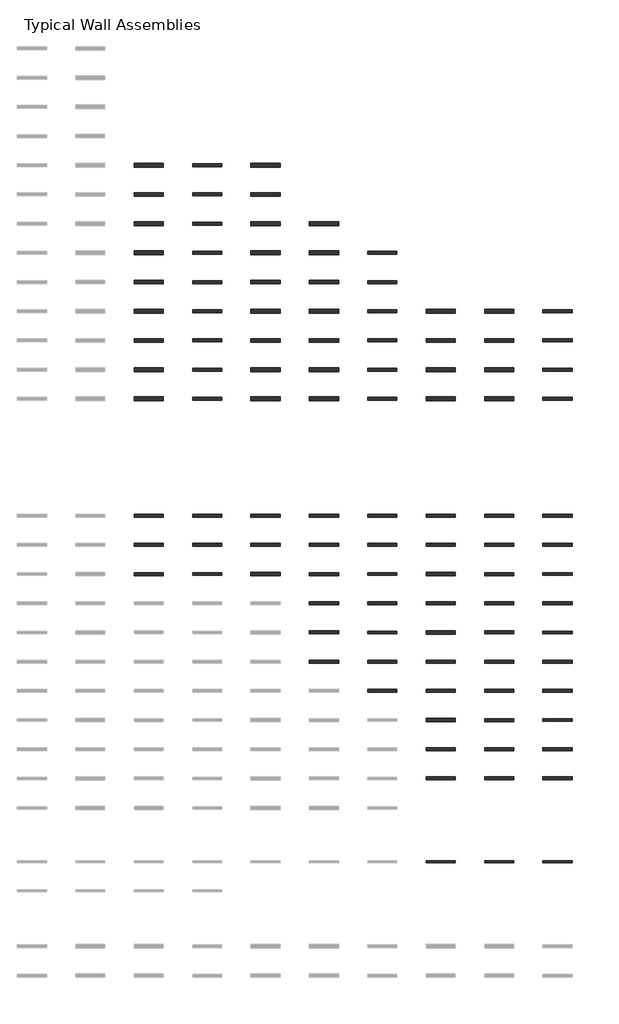
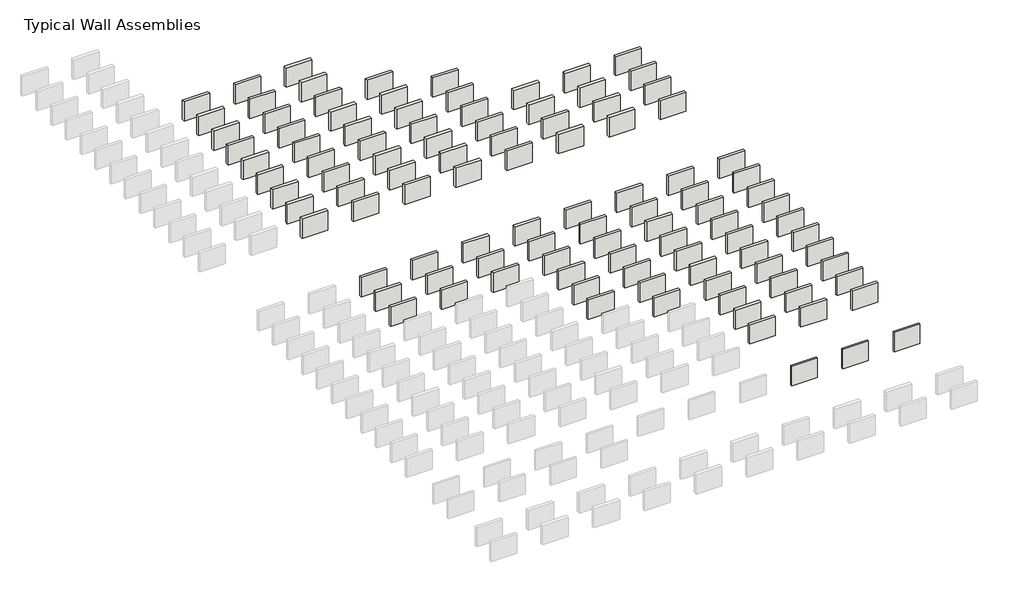
# One storey, part 4 of 8: 107 walls.
"""IFC4 building model written with IfcOpenShell, lengths in millimetres."""

import ifcopenshell
import ifcopenshell.guid

model = None  # the IFC model being written
_history = None  # IfcOwnerHistory: only IFC2X3 demands one
_inside = {}  # id of a spatial element -> (the spatial element, [elements in it])
_under = {}  # id of a project, library or spatial element -> (it, [spatial elements below it])
_declared = {}  # id of a project -> (the project, [libraries it declares])
_typed = {}  # id of a type object -> (the type object, [elements of that type])
_made_of = {}  # id of a material, layer set ... -> (it, [elements and type objects made of it])


def new_model(schema):
    """Start an empty IFC model of exactly this schema.

    Asked for "IFC4X3", IfcOpenShell would pick the latest addendum, in which some entities
    have other attributes; the version numbers below select the first issue.
    IFC2X3 requires an IfcOwnerHistory on every rooted entity: one is made here for all.
    """
    global model, _history
    if schema == "IFC4X3":
        model = ifcopenshell.file(schema_version=(4, 3, 0, 0))
    else:
        model = ifcopenshell.file(schema=schema)
    _inside.clear()
    _under.clear()
    _declared.clear()
    _typed.clear()
    _made_of.clear()
    _history = None
    if model.schema == "IFC2X3":
        org = make("IfcOrganization", Name="unknown")
        user = make(
            "IfcPersonAndOrganization",
            ThePerson=make("IfcPerson", FamilyName="unknown"),
            TheOrganization=org,
        )
        app = make(
            "IfcApplication",
            ApplicationDeveloper=org,
            Version="unknown",
            ApplicationFullName="unknown",
            ApplicationIdentifier="unknown",
        )
        _history = make(
            "IfcOwnerHistory",
            OwningUser=user,
            OwningApplication=app,
            ChangeAction="ADDED",
            CreationDate=0,
        )
    return model


def make(cls, **values):
    """One entity of the class cls with the attributes given. An attribute that is None is left unset."""
    return model.create_entity(
        cls, **{name: value for name, value in values.items() if value is not None}
    )


def rooted(cls, **values):
    """An entity with a GlobalId (a new one), such as an element, a storey or a relation."""
    return make(cls, GlobalId=ifcopenshell.guid.new(), OwnerHistory=_history, **values)


def si_unit(unit_type, name, prefix=None):
    """IfcSIUnit, for example si_unit("LENGTHUNIT", "METRE", prefix="MILLI")."""
    return make("IfcSIUnit", UnitType=unit_type, Prefix=prefix, Name=name)


def assignment(units):
    """IfcUnitAssignment: the units of a project."""
    return None if units is None else make("IfcUnitAssignment", Units=units)


def point(xyz):
    """IfcCartesianPoint."""
    return None if xyz is None else make("IfcCartesianPoint", Coordinates=xyz)


def direction(xyz):
    """IfcDirection."""
    return None if xyz is None else make("IfcDirection", DirectionRatios=xyz)


def frame(location, z_axis=None, x_axis=None):
    """IfcAxis2Placement3D, a coordinate frame: its origin and axes. An axis left out is left unset."""
    return make(
        "IfcAxis2Placement3D",
        Location=point(location),
        Axis=direction(z_axis),
        RefDirection=direction(x_axis),
    )


def origin():
    """The frame at (0, 0, 0) with its axes left unset."""
    return frame((0.0, 0.0, 0.0))


def place(relative_to, where):
    """IfcLocalPlacement: puts the frame where relative to a parent placement (None: the world)."""
    return make(
        "IfcLocalPlacement", PlacementRelTo=relative_to, RelativePlacement=where
    )


def context(
    kind, dimensions, precision=None, world=None, true_north=None, identifier=None
):
    """IfcGeometricRepresentationContext, for example the 3D "Model" context."""
    return make(
        "IfcGeometricRepresentationContext",
        ContextIdentifier=identifier,
        ContextType=kind,
        CoordinateSpaceDimension=dimensions,
        Precision=precision,
        WorldCoordinateSystem=world,
        TrueNorth=true_north,
    )


def project(units=None, contexts=None):
    """IfcProject with its units and contexts."""
    return rooted(
        "IfcProject",
        Name="project",
        RepresentationContexts=contexts,
        UnitsInContext=assignment(units),
    )


def spatial(cls, under=None, at=None, **own):
    """A site, building, storey or space (cls), placed at a placement, below another one or the project."""
    s = rooted(cls, ObjectPlacement=at, **own)
    if under is not None:
        _under.setdefault(under.id(), (under, []))[1].append(s)
    return s


def polyline(points):
    """IfcPolyline through the points."""
    return make("IfcPolyline", Points=[point(p) for p in points])


def outline(outer, holes=None, kind="AREA"):
    """IfcArbitraryClosedProfileDef: a profile drawn as a closed curve; with holes, ...WithVoids."""
    if holes is None:
        return make("IfcArbitraryClosedProfileDef", ProfileType=kind, OuterCurve=outer)
    return make(
        "IfcArbitraryProfileDefWithVoids",
        ProfileType=kind,
        OuterCurve=outer,
        InnerCurves=holes,
    )


def extrude(swept, where, along, depth):
    """IfcExtrudedAreaSolid: the profile swept, set in the frame where, extruded along a direction by depth."""
    return make(
        "IfcExtrudedAreaSolid",
        SweptArea=swept,
        Position=where,
        ExtrudedDirection=direction(along),
        Depth=depth,
    )


def shape(context_of_items, identifier, shape_type, items):
    """IfcShapeRepresentation: the items that make up one representation, for example the "Body"."""
    return make(
        "IfcShapeRepresentation",
        ContextOfItems=context_of_items,
        RepresentationIdentifier=identifier,
        RepresentationType=shape_type,
        Items=items,
    )


def made_of(thing, what):
    """Note that an element or type object is made of a material, layer set ...; save() writes the relation."""
    if what is not None:
        _made_of.setdefault(what.id(), (what, []))[1].append(thing)
    return thing


def element(
    cls,
    number,
    at=None,
    inside=None,
    cuts=None,
    type_object=None,
    material=None,
    context=None,
    identifier="Body",
    shape_type=None,
    held_by="IfcProductDefinitionShape",
    body=None,
    shapes=None,
    **own,
):
    """One element of the class cls, such as IfcWall. Its Tag is "e" and its number.

    at: its placement. inside: the storey or other place that contains it. cuts: it is an
    opening in that element (IfcRelVoidsElement). A single representation is given by context,
    identifier, shape_type and body (its items); several are given by shapes. held_by: the class
    of the entity that holds the representations. save() writes the other relations.
    """
    e = rooted(cls, Tag="e%d" % number, ObjectPlacement=at, **own)
    if body is not None:
        shapes = [shape(context, identifier, shape_type, body)]
    if shapes is not None:
        e.Representation = make(held_by, Representations=shapes)
    if inside is not None:
        _inside.setdefault(inside.id(), (inside, []))[1].append(e)
    if cuts is not None:
        rooted(
            "IfcRelVoidsElement", RelatingBuildingElement=cuts, RelatedOpeningElement=e
        )
    if type_object is not None:
        _typed.setdefault(type_object.id(), (type_object, []))[1].append(e)
    return made_of(e, material)


def aggregate(whole, parts):
    """IfcRelAggregates: a whole, such as a stair, and the parts it consists of."""
    return rooted("IfcRelAggregates", RelatingObject=whole, RelatedObjects=parts)


def save(model, path):
    """Write the relations noted so far, then the file.

    IfcRelAggregates (storeys below a building ...), IfcRelContainedInSpatialStructure (elements
    in a storey), IfcRelDefinesByType, IfcRelAssociatesMaterial and IfcRelDeclares: one each for
    every whole, place, type object, material and project.
    """
    for whole, parts in _under.values():
        aggregate(whole, parts)
    for where, things in _inside.values():
        rooted(
            "IfcRelContainedInSpatialStructure",
            RelatedElements=things,
            RelatingStructure=where,
        )
    for kind, things in _typed.values():
        rooted("IfcRelDefinesByType", RelatedObjects=things, RelatingType=kind)
    for what, things in _made_of.values():
        rooted("IfcRelAssociatesMaterial", RelatedObjects=things, RelatingMaterial=what)
    for by, libraries in _declared.values():
        rooted("IfcRelDeclares", RelatingContext=by, RelatedDefinitions=libraries)
    model.write(path)


model = new_model("IFC4")

# Units and contexts
model_context = context("Model", 3, world=origin())
ifc_project = project(units=[si_unit("LENGTHUNIT", "METRE", prefix="MILLI")], contexts=[model_context])

# Site, building, storey
site = spatial("IfcSite", under=ifc_project)
building = spatial("IfcBuilding", under=site)
storey = spatial("IfcBuildingStorey", under=building, Name="Typical Wall Assemblies", Elevation=6096.0)

# Walls
placement = place(None, origin())
element("IfcWall", 1, at=placement, inside=storey, context=model_context, shape_type="SweptSolid", body=[
    extrude(outline(polyline([(3356.874931, -114807.8842556), (308.874931, -114807.8842556), (308.874931, -114418.9467494), (3356.874931, -114418.9467494), (3356.874931, -114807.8842556)])), frame((0.0, 0.0, 6096.0), z_axis=(0.0, 0.0, 1.0), x_axis=(1.0, 0.0, 0.0)), (0.0, 0.0, 1.0), 2438.4),
])
element("IfcWall", 2, at=placement, inside=storey, context=model_context, shape_type="SweptSolid", body=[
    extrude(outline(polyline([(9452.874931, -114768.9905038), (6404.874931, -114768.9905038), (6404.874931, -114457.8405013), (9452.874931, -114457.8405013), (9452.874931, -114768.9905038)])), frame((0.0, 0.0, 6096.0), z_axis=(0.0, 0.0, 1.0), x_axis=(1.0, 0.0, 0.0)), (0.0, 0.0, 1.0), 2438.4),
])
element("IfcWall", 3, at=placement, inside=storey, context=model_context, shape_type="SweptSolid", body=[
    extrude(outline(polyline([(3356.874931, -117855.8842556), (308.874931, -117855.8842556), (308.874931, -117466.9467494), (3356.874931, -117466.9467494), (3356.874931, -117855.8842556)])), frame((0.0, 0.0, 6096.0), z_axis=(0.0, 0.0, 1.0), x_axis=(1.0, 0.0, 0.0)), (0.0, 0.0, 1.0), 2438.4),
])
element("IfcWall", 4, at=placement, inside=storey, context=model_context, shape_type="SweptSolid", body=[
    extrude(outline(polyline([(9452.874931, -117816.9905038), (6404.874931, -117816.9905038), (6404.874931, -117505.8405013), (9452.874931, -117505.8405013), (9452.874931, -117816.9905038)])), frame((0.0, 0.0, 6096.0), z_axis=(0.0, 0.0, 1.0), x_axis=(1.0, 0.0, 0.0)), (0.0, 0.0, 1.0), 2438.4),
])
element("IfcWall", 5, at=placement, inside=storey, context=model_context, shape_type="SweptSolid", body=[
    extrude(outline(polyline([(3356.874931, -120903.8842556), (308.874931, -120903.8842556), (308.874931, -120514.9467494), (3356.874931, -120514.9467494), (3356.874931, -120903.8842556)])), frame((0.0, 0.0, 6096.0), z_axis=(0.0, 0.0, 1.0), x_axis=(1.0, 0.0, 0.0)), (0.0, 0.0, 1.0), 2438.4),
])
element("IfcWall", 6, at=placement, inside=storey, context=model_context, shape_type="SweptSolid", body=[
    extrude(outline(polyline([(9452.874931, -120864.9905038), (6404.874931, -120864.9905038), (6404.874931, -120553.8405013), (9452.874931, -120553.8405013), (9452.874931, -120864.9905038)])), frame((0.0, 0.0, 6096.0), z_axis=(0.0, 0.0, 1.0), x_axis=(1.0, 0.0, 0.0)), (0.0, 0.0, 1.0), 2438.4),
])
element("IfcWall", 7, at=placement, inside=storey, context=model_context, shape_type="SweptSolid", body=[
    extrude(outline(polyline([(15548.874931, -120908.6467556), (12500.874931, -120908.6467556), (12500.874931, -120510.1842494), (15548.874931, -120510.1842494), (15548.874931, -120908.6467556)])), frame((0.0, 0.0, 6096.0), z_axis=(0.0, 0.0, 1.0), x_axis=(1.0, 0.0, 0.0)), (0.0, 0.0, 1.0), 2438.4),
])
element("IfcWall", 8, at=placement, inside=storey, context=model_context, shape_type="SweptSolid", body=[
    extrude(outline(polyline([(21644.874931, -120903.8842556), (18596.874931, -120903.8842556), (18596.874931, -120514.9467494), (21644.874931, -120514.9467494), (21644.874931, -120903.8842556)])), frame((0.0, 0.0, 6096.0), z_axis=(0.0, 0.0, 1.0), x_axis=(1.0, 0.0, 0.0)), (0.0, 0.0, 1.0), 2438.4),
])
element("IfcWall", 9, at=placement, inside=storey, context=model_context, shape_type="SweptSolid", body=[
    extrude(outline(polyline([(3356.874931, -123951.8842556), (308.874931, -123951.8842556), (308.874931, -123562.9467494), (3356.874931, -123562.9467494), (3356.874931, -123951.8842556)])), frame((0.0, 0.0, 6096.0), z_axis=(0.0, 0.0, 1.0), x_axis=(1.0, 0.0, 0.0)), (0.0, 0.0, 1.0), 2438.4),
])
element("IfcWall", 10, at=placement, inside=storey, context=model_context, shape_type="SweptSolid", body=[
    extrude(outline(polyline([(9452.874931, -123912.9905038), (6404.874931, -123912.9905038), (6404.874931, -123601.8405013), (9452.874931, -123601.8405013), (9452.874931, -123912.9905038)])), frame((0.0, 0.0, 6096.0), z_axis=(0.0, 0.0, 1.0), x_axis=(1.0, 0.0, 0.0)), (0.0, 0.0, 1.0), 2438.4),
])
element("IfcWall", 11, at=placement, inside=storey, context=model_context, shape_type="SweptSolid", body=[
    extrude(outline(polyline([(27740.874931, -123912.9905038), (24692.874931, -123912.9905038), (24692.874931, -123601.8405013), (27740.874931, -123601.8405013), (27740.874931, -123912.9905038)])), frame((0.0, 0.0, 6096.0), z_axis=(0.0, 0.0, 1.0), x_axis=(1.0, 0.0, 0.0)), (0.0, 0.0, 1.0), 2438.4),
])
element("IfcWall", 12, at=placement, inside=storey, context=model_context, shape_type="SweptSolid", body=[
    extrude(outline(polyline([(9452.874931, -126960.9905038), (6404.874931, -126960.9905038), (6404.874931, -126649.8405013), (9452.874931, -126649.8405013), (9452.874931, -126960.9905038)])), frame((0.0, 0.0, 6096.0), z_axis=(0.0, 0.0, 1.0), x_axis=(1.0, 0.0, 0.0)), (0.0, 0.0, 1.0), 2438.4),
])
element("IfcWall", 13, at=placement, inside=storey, context=model_context, shape_type="SweptSolid", body=[
    extrude(outline(polyline([(15548.874931, -127004.6467556), (12500.874931, -127004.6467556), (12500.874931, -126606.1842494), (15548.874931, -126606.1842494), (15548.874931, -127004.6467556)])), frame((0.0, 0.0, 6096.0), z_axis=(0.0, 0.0, 1.0), x_axis=(1.0, 0.0, 0.0)), (0.0, 0.0, 1.0), 2438.4),
])
element("IfcWall", 14, at=placement, inside=storey, context=model_context, shape_type="SweptSolid", body=[
    extrude(outline(polyline([(21644.874931, -126999.8842556), (18596.874931, -126999.8842556), (18596.874931, -126610.9467494), (21644.874931, -126610.9467494), (21644.874931, -126999.8842556)])), frame((0.0, 0.0, 6096.0), z_axis=(0.0, 0.0, 1.0), x_axis=(1.0, 0.0, 0.0)), (0.0, 0.0, 1.0), 2438.4),
])
element("IfcWall", 15, at=placement, inside=storey, context=model_context, shape_type="SweptSolid", body=[
    extrude(outline(polyline([(27740.874931, -126960.9905038), (24692.874931, -126960.9905038), (24692.874931, -126649.8405013), (27740.874931, -126649.8405013), (27740.874931, -126960.9905038)])), frame((0.0, 0.0, 6096.0), z_axis=(0.0, 0.0, 1.0), x_axis=(1.0, 0.0, 0.0)), (0.0, 0.0, 1.0), 2438.4),
])
element("IfcWall", 16, at=placement, inside=storey, context=model_context, shape_type="SweptSolid", body=[
    extrude(outline(polyline([(9452.874931, -130008.9905038), (6404.874931, -130008.9905038), (6404.874931, -129697.8405013), (9452.874931, -129697.8405013), (9452.874931, -130008.9905038)])), frame((0.0, 0.0, 6096.0), z_axis=(0.0, 0.0, 1.0), x_axis=(1.0, 0.0, 0.0)), (0.0, 0.0, 1.0), 2438.4),
])
element("IfcWall", 17, at=placement, inside=storey, context=model_context, shape_type="SweptSolid", body=[
    extrude(outline(polyline([(15548.874931, -130052.6467556), (12500.874931, -130052.6467556), (12500.874931, -129654.1842494), (15548.874931, -129654.1842494), (15548.874931, -130052.6467556)])), frame((0.0, 0.0, 6096.0), z_axis=(0.0, 0.0, 1.0), x_axis=(1.0, 0.0, 0.0)), (0.0, 0.0, 1.0), 2438.4),
])
element("IfcWall", 18, at=placement, inside=storey, context=model_context, shape_type="SweptSolid", body=[
    extrude(outline(polyline([(21644.874931, -130047.8842556), (18596.874931, -130047.8842556), (18596.874931, -129658.9467494), (21644.874931, -129658.9467494), (21644.874931, -130047.8842556)])), frame((0.0, 0.0, 6096.0), z_axis=(0.0, 0.0, 1.0), x_axis=(1.0, 0.0, 0.0)), (0.0, 0.0, 1.0), 2438.4),
])
element("IfcWall", 19, at=placement, inside=storey, context=model_context, shape_type="SweptSolid", body=[
    extrude(outline(polyline([(27740.874931, -130008.9905038), (24692.874931, -130008.9905038), (24692.874931, -129697.8405013), (27740.874931, -129697.8405013), (27740.874931, -130008.9905038)])), frame((0.0, 0.0, 6096.0), z_axis=(0.0, 0.0, 1.0), x_axis=(1.0, 0.0, 0.0)), (0.0, 0.0, 1.0), 2438.4),
])
element("IfcWall", 20, at=placement, inside=storey, context=model_context, shape_type="SweptSolid", body=[
    extrude(outline(polyline([(46028.874931, -130008.9905038), (42980.874931, -130008.9905038), (42980.874931, -129697.8405013), (46028.874931, -129697.8405013), (46028.874931, -130008.9905038)])), frame((0.0, 0.0, 6096.0), z_axis=(0.0, 0.0, 1.0), x_axis=(1.0, 0.0, 0.0)), (0.0, 0.0, 1.0), 2438.4),
])
element("IfcWall", 21, at=placement, inside=storey, context=model_context, shape_type="SweptSolid", body=[
    extrude(outline(polyline([(9452.874931, -133056.9905038), (6404.874931, -133056.9905038), (6404.874931, -132745.8405013), (9452.874931, -132745.8405013), (9452.874931, -133056.9905038)])), frame((0.0, 0.0, 6096.0), z_axis=(0.0, 0.0, 1.0), x_axis=(1.0, 0.0, 0.0)), (0.0, 0.0, 1.0), 2438.4),
])
element("IfcWall", 22, at=placement, inside=storey, context=model_context, shape_type="SweptSolid", body=[
    extrude(outline(polyline([(15548.874931, -133100.6467556), (12500.874931, -133100.6467556), (12500.874931, -132702.1842494), (15548.874931, -132702.1842494), (15548.874931, -133100.6467556)])), frame((0.0, 0.0, 6096.0), z_axis=(0.0, 0.0, 1.0), x_axis=(1.0, 0.0, 0.0)), (0.0, 0.0, 1.0), 2438.4),
])
element("IfcWall", 23, at=placement, inside=storey, context=model_context, shape_type="SweptSolid", body=[
    extrude(outline(polyline([(21644.874931, -133095.8842556), (18596.874931, -133095.8842556), (18596.874931, -132706.9467494), (21644.874931, -132706.9467494), (21644.874931, -133095.8842556)])), frame((0.0, 0.0, 6096.0), z_axis=(0.0, 0.0, 1.0), x_axis=(1.0, 0.0, 0.0)), (0.0, 0.0, 1.0), 2438.4),
])
element("IfcWall", 24, at=placement, inside=storey, context=model_context, shape_type="SweptSolid", body=[
    extrude(outline(polyline([(27740.874931, -133056.9905038), (24692.874931, -133056.9905038), (24692.874931, -132745.8405013), (27740.874931, -132745.8405013), (27740.874931, -133056.9905038)])), frame((0.0, 0.0, 6096.0), z_axis=(0.0, 0.0, 1.0), x_axis=(1.0, 0.0, 0.0)), (0.0, 0.0, 1.0), 2438.4),
])
element("IfcWall", 25, at=placement, inside=storey, context=model_context, shape_type="SweptSolid", body=[
    extrude(outline(polyline([(46028.874931, -133056.9905038), (42980.874931, -133056.9905038), (42980.874931, -132745.8405013), (46028.874931, -132745.8405013), (46028.874931, -133056.9905038)])), frame((0.0, 0.0, 6096.0), z_axis=(0.0, 0.0, 1.0), x_axis=(1.0, 0.0, 0.0)), (0.0, 0.0, 1.0), 2438.4),
])
element("IfcWall", 26, at=placement, inside=storey, context=model_context, shape_type="SweptSolid", body=[
    extrude(outline(polyline([(9452.874931, -136104.9905038), (6404.874931, -136104.9905038), (6404.874931, -135793.8405013), (9452.874931, -135793.8405013), (9452.874931, -136104.9905038)])), frame((0.0, 0.0, 6096.0), z_axis=(0.0, 0.0, 1.0), x_axis=(1.0, 0.0, 0.0)), (0.0, 0.0, 1.0), 2438.4),
])
element("IfcWall", 27, at=placement, inside=storey, context=model_context, shape_type="SweptSolid", body=[
    extrude(outline(polyline([(27740.874931, -136104.9905038), (24692.874931, -136104.9905038), (24692.874931, -135793.8405013), (27740.874931, -135793.8405013), (27740.874931, -136104.9905038)])), frame((0.0, 0.0, 6096.0), z_axis=(0.0, 0.0, 1.0), x_axis=(1.0, 0.0, 0.0)), (0.0, 0.0, 1.0), 2438.4),
])
element("IfcWall", 28, at=placement, inside=storey, context=model_context, shape_type="SweptSolid", body=[
    extrude(outline(polyline([(33836.874931, -136148.6467556), (30788.874931, -136148.6467556), (30788.874931, -135750.1842494), (33836.874931, -135750.1842494), (33836.874931, -136148.6467556)])), frame((0.0, 0.0, 6096.0), z_axis=(0.0, 0.0, 1.0), x_axis=(1.0, 0.0, 0.0)), (0.0, 0.0, 1.0), 2438.4),
])
element("IfcWall", 29, at=placement, inside=storey, context=model_context, shape_type="SweptSolid", body=[
    extrude(outline(polyline([(39932.874931, -136143.8842556), (36884.874931, -136143.8842556), (36884.874931, -135754.9467494), (39932.874931, -135754.9467494), (39932.874931, -136143.8842556)])), frame((0.0, 0.0, 6096.0), z_axis=(0.0, 0.0, 1.0), x_axis=(1.0, 0.0, 0.0)), (0.0, 0.0, 1.0), 2438.4),
])
element("IfcWall", 30, at=placement, inside=storey, context=model_context, shape_type="SweptSolid", body=[
    extrude(outline(polyline([(46028.874931, -136104.9905038), (42980.874931, -136104.9905038), (42980.874931, -135793.8405013), (46028.874931, -135793.8405013), (46028.874931, -136104.9905038)])), frame((0.0, 0.0, 6096.0), z_axis=(0.0, 0.0, 1.0), x_axis=(1.0, 0.0, 0.0)), (0.0, 0.0, 1.0), 2438.4),
])
element("IfcWall", 31, at=placement, inside=storey, context=model_context, shape_type="SweptSolid", body=[
    extrude(outline(polyline([(3356.874931, -139191.8842556), (308.874931, -139191.8842556), (308.874931, -138802.9467494), (3356.874931, -138802.9467494), (3356.874931, -139191.8842556)])), frame((0.0, 0.0, 6096.0), z_axis=(0.0, 0.0, 1.0), x_axis=(1.0, 0.0, 0.0)), (0.0, 0.0, 1.0), 2438.4),
])
element("IfcWall", 32, at=placement, inside=storey, context=model_context, shape_type="SweptSolid", body=[
    extrude(outline(polyline([(9452.874931, -139152.9905038), (6404.874931, -139152.9905038), (6404.874931, -138841.8405013), (9452.874931, -138841.8405013), (9452.874931, -139152.9905038)])), frame((0.0, 0.0, 6096.0), z_axis=(0.0, 0.0, 1.0), x_axis=(1.0, 0.0, 0.0)), (0.0, 0.0, 1.0), 2438.4),
])
element("IfcWall", 33, at=placement, inside=storey, context=model_context, shape_type="SweptSolid", body=[
    extrude(outline(polyline([(27740.874931, -139152.9905038), (24692.874931, -139152.9905038), (24692.874931, -138841.8405013), (27740.874931, -138841.8405013), (27740.874931, -139152.9905038)])), frame((0.0, 0.0, 6096.0), z_axis=(0.0, 0.0, 1.0), x_axis=(1.0, 0.0, 0.0)), (0.0, 0.0, 1.0), 2438.4),
])
element("IfcWall", 34, at=placement, inside=storey, context=model_context, shape_type="SweptSolid", body=[
    extrude(outline(polyline([(33836.874931, -139196.6467556), (30788.874931, -139196.6467556), (30788.874931, -138798.1842494), (33836.874931, -138798.1842494), (33836.874931, -139196.6467556)])), frame((0.0, 0.0, 6096.0), z_axis=(0.0, 0.0, 1.0), x_axis=(1.0, 0.0, 0.0)), (0.0, 0.0, 1.0), 2438.4),
])
element("IfcWall", 35, at=placement, inside=storey, context=model_context, shape_type="SweptSolid", body=[
    extrude(outline(polyline([(39932.874931, -139191.8842556), (36884.874931, -139191.8842556), (36884.874931, -138802.9467494), (39932.874931, -138802.9467494), (39932.874931, -139191.8842556)])), frame((0.0, 0.0, 6096.0), z_axis=(0.0, 0.0, 1.0), x_axis=(1.0, 0.0, 0.0)), (0.0, 0.0, 1.0), 2438.4),
])
element("IfcWall", 36, at=placement, inside=storey, context=model_context, shape_type="SweptSolid", body=[
    extrude(outline(polyline([(46028.874931, -139152.9905038), (42980.874931, -139152.9905038), (42980.874931, -138841.8405013), (46028.874931, -138841.8405013), (46028.874931, -139152.9905038)])), frame((0.0, 0.0, 6096.0), z_axis=(0.0, 0.0, 1.0), x_axis=(1.0, 0.0, 0.0)), (0.0, 0.0, 1.0), 2438.4),
])
element("IfcWall", 37, at=placement, inside=storey, context=model_context, shape_type="SweptSolid", body=[
    extrude(outline(polyline([(3356.874931, -151347.3717574), (308.874931, -151347.3717574), (308.874931, -151031.4592477), (3356.874931, -151031.4592477), (3356.874931, -151347.3717574)])), frame((0.0, 0.0, 6096.0), z_axis=(0.0, 0.0, 1.0), x_axis=(1.0, 0.0, 0.0)), (0.0, 0.0, 1.0), 2438.4),
])
element("IfcWall", 38, at=placement, inside=storey, context=model_context, shape_type="SweptSolid", body=[
    extrude(outline(polyline([(9452.874931, -151337.0530064), (6404.874931, -151337.0530064), (6404.874931, -151041.7779987), (9452.874931, -151041.7779987), (9452.874931, -151337.0530064)])), frame((0.0, 0.0, 6096.0), z_axis=(0.0, 0.0, 1.0), x_axis=(1.0, 0.0, 0.0)), (0.0, 0.0, 1.0), 2438.4),
])
element("IfcWall", 39, at=placement, inside=storey, context=model_context, shape_type="SweptSolid", body=[
    extrude(outline(polyline([(27740.874931, -151337.0530064), (24692.874931, -151337.0530064), (24692.874931, -151041.7779987), (27740.874931, -151041.7779987), (27740.874931, -151337.0530064)])), frame((0.0, 0.0, 6096.0), z_axis=(0.0, 0.0, 1.0), x_axis=(1.0, 0.0, 0.0)), (0.0, 0.0, 1.0), 2438.4),
])
element("IfcWall", 40, at=placement, inside=storey, context=model_context, shape_type="SweptSolid", body=[
    extrude(outline(polyline([(33836.874931, -151352.1342574), (30788.874931, -151352.1342574), (30788.874931, -151026.6967477), (33836.874931, -151026.6967477), (33836.874931, -151352.1342574)])), frame((0.0, 0.0, 6096.0), z_axis=(0.0, 0.0, 1.0), x_axis=(1.0, 0.0, 0.0)), (0.0, 0.0, 1.0), 2438.4),
])
element("IfcWall", 41, at=placement, inside=storey, context=model_context, shape_type="SweptSolid", body=[
    extrude(outline(polyline([(39932.874931, -151347.3717574), (36884.874931, -151347.3717574), (36884.874931, -151031.4592477), (39932.874931, -151031.4592477), (39932.874931, -151347.3717574)])), frame((0.0, 0.0, 6096.0), z_axis=(0.0, 0.0, 1.0), x_axis=(1.0, 0.0, 0.0)), (0.0, 0.0, 1.0), 2438.4),
])
element("IfcWall", 42, at=placement, inside=storey, context=model_context, shape_type="SweptSolid", body=[
    extrude(outline(polyline([(46028.874931, -151337.0530064), (42980.874931, -151337.0530064), (42980.874931, -151041.7779987), (46028.874931, -151041.7779987), (46028.874931, -151337.0530064)])), frame((0.0, 0.0, 6096.0), z_axis=(0.0, 0.0, 1.0), x_axis=(1.0, 0.0, 0.0)), (0.0, 0.0, 1.0), 2438.4),
])
element("IfcWall", 43, at=placement, inside=storey, context=model_context, shape_type="SweptSolid", body=[
    extrude(outline(polyline([(3356.874931, -154395.3717574), (308.874931, -154395.3717574), (308.874931, -154079.4592477), (3356.874931, -154079.4592477), (3356.874931, -154395.3717574)])), frame((0.0, 0.0, 6096.0), z_axis=(0.0, 0.0, 1.0), x_axis=(1.0, 0.0, 0.0)), (0.0, 0.0, 1.0), 2438.4),
])
element("IfcWall", 44, at=placement, inside=storey, context=model_context, shape_type="SweptSolid", body=[
    extrude(outline(polyline([(9452.874931, -154385.0530064), (6404.874931, -154385.0530064), (6404.874931, -154089.7779987), (9452.874931, -154089.7779987), (9452.874931, -154385.0530064)])), frame((0.0, 0.0, 6096.0), z_axis=(0.0, 0.0, 1.0), x_axis=(1.0, 0.0, 0.0)), (0.0, 0.0, 1.0), 2438.4),
])
element("IfcWall", 45, at=placement, inside=storey, context=model_context, shape_type="SweptSolid", body=[
    extrude(outline(polyline([(15548.874931, -154400.1342574), (12500.874931, -154400.1342574), (12500.874931, -154074.6967477), (15548.874931, -154074.6967477), (15548.874931, -154400.1342574)])), frame((0.0, 0.0, 6096.0), z_axis=(0.0, 0.0, 1.0), x_axis=(1.0, 0.0, 0.0)), (0.0, 0.0, 1.0), 2438.4),
])
element("IfcWall", 46, at=placement, inside=storey, context=model_context, shape_type="SweptSolid", body=[
    extrude(outline(polyline([(21644.874931, -154395.3717574), (18596.874931, -154395.3717574), (18596.874931, -154079.4592477), (21644.874931, -154079.4592477), (21644.874931, -154395.3717574)])), frame((0.0, 0.0, 6096.0), z_axis=(0.0, 0.0, 1.0), x_axis=(1.0, 0.0, 0.0)), (0.0, 0.0, 1.0), 2438.4),
])
element("IfcWall", 47, at=placement, inside=storey, context=model_context, shape_type="SweptSolid", body=[
    extrude(outline(polyline([(27740.874931, -154385.0530064), (24692.874931, -154385.0530064), (24692.874931, -154089.7779987), (27740.874931, -154089.7779987), (27740.874931, -154385.0530064)])), frame((0.0, 0.0, 6096.0), z_axis=(0.0, 0.0, 1.0), x_axis=(1.0, 0.0, 0.0)), (0.0, 0.0, 1.0), 2438.4),
])
element("IfcWall", 48, at=placement, inside=storey, context=model_context, shape_type="SweptSolid", body=[
    extrude(outline(polyline([(33836.874931, -154400.1342574), (30788.874931, -154400.1342574), (30788.874931, -154074.6967477), (33836.874931, -154074.6967477), (33836.874931, -154400.1342574)])), frame((0.0, 0.0, 6096.0), z_axis=(0.0, 0.0, 1.0), x_axis=(1.0, 0.0, 0.0)), (0.0, 0.0, 1.0), 2438.4),
])
element("IfcWall", 49, at=placement, inside=storey, context=model_context, shape_type="SweptSolid", body=[
    extrude(outline(polyline([(39932.874931, -154395.3717574), (36884.874931, -154395.3717574), (36884.874931, -154079.4592477), (39932.874931, -154079.4592477), (39932.874931, -154395.3717574)])), frame((0.0, 0.0, 6096.0), z_axis=(0.0, 0.0, 1.0), x_axis=(1.0, 0.0, 0.0)), (0.0, 0.0, 1.0), 2438.4),
])
element("IfcWall", 50, at=placement, inside=storey, context=model_context, shape_type="SweptSolid", body=[
    extrude(outline(polyline([(46028.874931, -154385.0530064), (42980.874931, -154385.0530064), (42980.874931, -154089.7779987), (46028.874931, -154089.7779987), (46028.874931, -154385.0530064)])), frame((0.0, 0.0, 6096.0), z_axis=(0.0, 0.0, 1.0), x_axis=(1.0, 0.0, 0.0)), (0.0, 0.0, 1.0), 2438.4),
])
element("IfcWall", 51, at=placement, inside=storey, context=model_context, shape_type="SweptSolid", body=[
    extrude(outline(polyline([(3356.874931, -157443.3717574), (308.874931, -157443.3717574), (308.874931, -157127.4592477), (3356.874931, -157127.4592477), (3356.874931, -157443.3717574)])), frame((0.0, 0.0, 6096.0), z_axis=(0.0, 0.0, 1.0), x_axis=(1.0, 0.0, 0.0)), (0.0, 0.0, 1.0), 2438.4),
])
element("IfcWall", 52, at=placement, inside=storey, context=model_context, shape_type="SweptSolid", body=[
    extrude(outline(polyline([(9452.874931, -157433.0530064), (6404.874931, -157433.0530064), (6404.874931, -157137.7779987), (9452.874931, -157137.7779987), (9452.874931, -157433.0530064)])), frame((0.0, 0.0, 6096.0), z_axis=(0.0, 0.0, 1.0), x_axis=(1.0, 0.0, 0.0)), (0.0, 0.0, 1.0), 2438.4),
])
element("IfcWall", 53, at=placement, inside=storey, context=model_context, shape_type="SweptSolid", body=[
    extrude(outline(polyline([(15548.874931, -157448.1342574), (12500.874931, -157448.1342574), (12500.874931, -157122.6967477), (15548.874931, -157122.6967477), (15548.874931, -157448.1342574)])), frame((0.0, 0.0, 6096.0), z_axis=(0.0, 0.0, 1.0), x_axis=(1.0, 0.0, 0.0)), (0.0, 0.0, 1.0), 2438.4),
])
element("IfcWall", 54, at=placement, inside=storey, context=model_context, shape_type="SweptSolid", body=[
    extrude(outline(polyline([(21644.874931, -157443.3717574), (18596.874931, -157443.3717574), (18596.874931, -157127.4592477), (21644.874931, -157127.4592477), (21644.874931, -157443.3717574)])), frame((0.0, 0.0, 6096.0), z_axis=(0.0, 0.0, 1.0), x_axis=(1.0, 0.0, 0.0)), (0.0, 0.0, 1.0), 2438.4),
])
element("IfcWall", 55, at=placement, inside=storey, context=model_context, shape_type="SweptSolid", body=[
    extrude(outline(polyline([(27740.874931, -157433.0530064), (24692.874931, -157433.0530064), (24692.874931, -157137.7779987), (27740.874931, -157137.7779987), (27740.874931, -157433.0530064)])), frame((0.0, 0.0, 6096.0), z_axis=(0.0, 0.0, 1.0), x_axis=(1.0, 0.0, 0.0)), (0.0, 0.0, 1.0), 2438.4),
])
element("IfcWall", 56, at=placement, inside=storey, context=model_context, shape_type="SweptSolid", body=[
    extrude(outline(polyline([(33836.874931, -157448.1342574), (30788.874931, -157448.1342574), (30788.874931, -157122.6967477), (33836.874931, -157122.6967477), (33836.874931, -157448.1342574)])), frame((0.0, 0.0, 6096.0), z_axis=(0.0, 0.0, 1.0), x_axis=(1.0, 0.0, 0.0)), (0.0, 0.0, 1.0), 2438.4),
])
element("IfcWall", 57, at=placement, inside=storey, context=model_context, shape_type="SweptSolid", body=[
    extrude(outline(polyline([(39932.874931, -157443.3717574), (36884.874931, -157443.3717574), (36884.874931, -157127.4592477), (39932.874931, -157127.4592477), (39932.874931, -157443.3717574)])), frame((0.0, 0.0, 6096.0), z_axis=(0.0, 0.0, 1.0), x_axis=(1.0, 0.0, 0.0)), (0.0, 0.0, 1.0), 2438.4),
])
element("IfcWall", 58, at=placement, inside=storey, context=model_context, shape_type="SweptSolid", body=[
    extrude(outline(polyline([(46028.874931, -157433.0530064), (42980.874931, -157433.0530064), (42980.874931, -157137.7779987), (46028.874931, -157137.7779987), (46028.874931, -157433.0530064)])), frame((0.0, 0.0, 6096.0), z_axis=(0.0, 0.0, 1.0), x_axis=(1.0, 0.0, 0.0)), (0.0, 0.0, 1.0), 2438.4),
])
element("IfcWall", 59, at=placement, inside=storey, context=model_context, shape_type="SweptSolid", body=[
    extrude(outline(polyline([(21644.874931, -160491.3717574), (18596.874931, -160491.3717574), (18596.874931, -160175.4592477), (21644.874931, -160175.4592477), (21644.874931, -160491.3717574)])), frame((0.0, 0.0, 6096.0), z_axis=(0.0, 0.0, 1.0), x_axis=(1.0, 0.0, 0.0)), (0.0, 0.0, 1.0), 2438.4),
])
element("IfcWall", 60, at=placement, inside=storey, context=model_context, shape_type="SweptSolid", body=[
    extrude(outline(polyline([(27740.874931, -160481.0530064), (24692.874931, -160481.0530064), (24692.874931, -160185.7779987), (27740.874931, -160185.7779987), (27740.874931, -160481.0530064)])), frame((0.0, 0.0, 6096.0), z_axis=(0.0, 0.0, 1.0), x_axis=(1.0, 0.0, 0.0)), (0.0, 0.0, 1.0), 2438.4),
])
element("IfcWall", 61, at=placement, inside=storey, context=model_context, shape_type="SweptSolid", body=[
    extrude(outline(polyline([(33836.874931, -160496.1342574), (30788.874931, -160496.1342574), (30788.874931, -160170.6967477), (33836.874931, -160170.6967477), (33836.874931, -160496.1342574)])), frame((0.0, 0.0, 6096.0), z_axis=(0.0, 0.0, 1.0), x_axis=(1.0, 0.0, 0.0)), (0.0, 0.0, 1.0), 2438.4),
])
element("IfcWall", 62, at=placement, inside=storey, context=model_context, shape_type="SweptSolid", body=[
    extrude(outline(polyline([(39932.874931, -160491.3717574), (36884.874931, -160491.3717574), (36884.874931, -160175.4592477), (39932.874931, -160175.4592477), (39932.874931, -160491.3717574)])), frame((0.0, 0.0, 6096.0), z_axis=(0.0, 0.0, 1.0), x_axis=(1.0, 0.0, 0.0)), (0.0, 0.0, 1.0), 2438.4),
])
element("IfcWall", 63, at=placement, inside=storey, context=model_context, shape_type="SweptSolid", body=[
    extrude(outline(polyline([(46028.874931, -160481.0530064), (42980.874931, -160481.0530064), (42980.874931, -160185.7779987), (46028.874931, -160185.7779987), (46028.874931, -160481.0530064)])), frame((0.0, 0.0, 6096.0), z_axis=(0.0, 0.0, 1.0), x_axis=(1.0, 0.0, 0.0)), (0.0, 0.0, 1.0), 2438.4),
])
element("IfcWall", 64, at=placement, inside=storey, context=model_context, shape_type="SweptSolid", body=[
    extrude(outline(polyline([(21644.874931, -163539.3717574), (18596.874931, -163539.3717574), (18596.874931, -163223.4592477), (21644.874931, -163223.4592477), (21644.874931, -163539.3717574)])), frame((0.0, 0.0, 6096.0), z_axis=(0.0, 0.0, 1.0), x_axis=(1.0, 0.0, 0.0)), (0.0, 0.0, 1.0), 2438.4),
])
element("IfcWall", 65, at=placement, inside=storey, context=model_context, shape_type="SweptSolid", body=[
    extrude(outline(polyline([(27740.874931, -163529.0530064), (24692.874931, -163529.0530064), (24692.874931, -163233.7779987), (27740.874931, -163233.7779987), (27740.874931, -163529.0530064)])), frame((0.0, 0.0, 6096.0), z_axis=(0.0, 0.0, 1.0), x_axis=(1.0, 0.0, 0.0)), (0.0, 0.0, 1.0), 2438.4),
])
element("IfcWall", 66, at=placement, inside=storey, context=model_context, shape_type="SweptSolid", body=[
    extrude(outline(polyline([(33836.874931, -163544.1342574), (30788.874931, -163544.1342574), (30788.874931, -163218.6967477), (33836.874931, -163218.6967477), (33836.874931, -163544.1342574)])), frame((0.0, 0.0, 6096.0), z_axis=(0.0, 0.0, 1.0), x_axis=(1.0, 0.0, 0.0)), (0.0, 0.0, 1.0), 2438.4),
])
element("IfcWall", 67, at=placement, inside=storey, context=model_context, shape_type="SweptSolid", body=[
    extrude(outline(polyline([(39932.874931, -163539.3717574), (36884.874931, -163539.3717574), (36884.874931, -163223.4592477), (39932.874931, -163223.4592477), (39932.874931, -163539.3717574)])), frame((0.0, 0.0, 6096.0), z_axis=(0.0, 0.0, 1.0), x_axis=(1.0, 0.0, 0.0)), (0.0, 0.0, 1.0), 2438.4),
])
element("IfcWall", 68, at=placement, inside=storey, context=model_context, shape_type="SweptSolid", body=[
    extrude(outline(polyline([(46028.874931, -163529.0530064), (42980.874931, -163529.0530064), (42980.874931, -163233.7779987), (46028.874931, -163233.7779987), (46028.874931, -163529.0530064)])), frame((0.0, 0.0, 6096.0), z_axis=(0.0, 0.0, 1.0), x_axis=(1.0, 0.0, 0.0)), (0.0, 0.0, 1.0), 2438.4),
])
element("IfcWall", 69, at=placement, inside=storey, context=model_context, shape_type="SweptSolid", body=[
    extrude(outline(polyline([(21644.874931, -166587.3717574), (18596.874931, -166587.3717574), (18596.874931, -166271.4592477), (21644.874931, -166271.4592477), (21644.874931, -166587.3717574)])), frame((0.0, 0.0, 6096.0), z_axis=(0.0, 0.0, 1.0), x_axis=(1.0, 0.0, 0.0)), (0.0, 0.0, 1.0), 2438.4),
])
element("IfcWall", 70, at=placement, inside=storey, context=model_context, shape_type="SweptSolid", body=[
    extrude(outline(polyline([(27740.874931, -166577.0530064), (24692.874931, -166577.0530064), (24692.874931, -166281.7779987), (27740.874931, -166281.7779987), (27740.874931, -166577.0530064)])), frame((0.0, 0.0, 6096.0), z_axis=(0.0, 0.0, 1.0), x_axis=(1.0, 0.0, 0.0)), (0.0, 0.0, 1.0), 2438.4),
])
element("IfcWall", 71, at=placement, inside=storey, context=model_context, shape_type="SweptSolid", body=[
    extrude(outline(polyline([(33836.874931, -166592.1342574), (30788.874931, -166592.1342574), (30788.874931, -166266.6967477), (33836.874931, -166266.6967477), (33836.874931, -166592.1342574)])), frame((0.0, 0.0, 6096.0), z_axis=(0.0, 0.0, 1.0), x_axis=(1.0, 0.0, 0.0)), (0.0, 0.0, 1.0), 2438.4),
])
element("IfcWall", 72, at=placement, inside=storey, context=model_context, shape_type="SweptSolid", body=[
    extrude(outline(polyline([(39932.874931, -166587.3717574), (36884.874931, -166587.3717574), (36884.874931, -166271.4592477), (39932.874931, -166271.4592477), (39932.874931, -166587.3717574)])), frame((0.0, 0.0, 6096.0), z_axis=(0.0, 0.0, 1.0), x_axis=(1.0, 0.0, 0.0)), (0.0, 0.0, 1.0), 2438.4),
])
element("IfcWall", 73, at=placement, inside=storey, context=model_context, shape_type="SweptSolid", body=[
    extrude(outline(polyline([(46028.874931, -166577.0530064), (42980.874931, -166577.0530064), (42980.874931, -166281.7779987), (46028.874931, -166281.7779987), (46028.874931, -166577.0530064)])), frame((0.0, 0.0, 6096.0), z_axis=(0.0, 0.0, 1.0), x_axis=(1.0, 0.0, 0.0)), (0.0, 0.0, 1.0), 2438.4),
])
element("IfcWall", 74, at=placement, inside=storey, context=model_context, shape_type="SweptSolid", body=[
    extrude(outline(polyline([(27740.874931, -169625.0530064), (24692.874931, -169625.0530064), (24692.874931, -169329.7779987), (27740.874931, -169329.7779987), (27740.874931, -169625.0530064)])), frame((0.0, 0.0, 6096.0), z_axis=(0.0, 0.0, 1.0), x_axis=(1.0, 0.0, 0.0)), (0.0, 0.0, 1.0), 2438.4),
])
element("IfcWall", 75, at=placement, inside=storey, context=model_context, shape_type="SweptSolid", body=[
    extrude(outline(polyline([(33836.874931, -169640.1342574), (30788.874931, -169640.1342574), (30788.874931, -169314.6967477), (33836.874931, -169314.6967477), (33836.874931, -169640.1342574)])), frame((0.0, 0.0, 6096.0), z_axis=(0.0, 0.0, 1.0), x_axis=(1.0, 0.0, 0.0)), (0.0, 0.0, 1.0), 2438.4),
])
element("IfcWall", 76, at=placement, inside=storey, context=model_context, shape_type="SweptSolid", body=[
    extrude(outline(polyline([(39932.874931, -169635.3717574), (36884.874931, -169635.3717574), (36884.874931, -169319.4592477), (39932.874931, -169319.4592477), (39932.874931, -169635.3717574)])), frame((0.0, 0.0, 6096.0), z_axis=(0.0, 0.0, 1.0), x_axis=(1.0, 0.0, 0.0)), (0.0, 0.0, 1.0), 2438.4),
])
element("IfcWall", 77, at=placement, inside=storey, context=model_context, shape_type="SweptSolid", body=[
    extrude(outline(polyline([(46028.874931, -169625.0530064), (42980.874931, -169625.0530064), (42980.874931, -169329.7779987), (46028.874931, -169329.7779987), (46028.874931, -169625.0530064)])), frame((0.0, 0.0, 6096.0), z_axis=(0.0, 0.0, 1.0), x_axis=(1.0, 0.0, 0.0)), (0.0, 0.0, 1.0), 2438.4),
])
element("IfcWall", 78, at=placement, inside=storey, context=model_context, shape_type="SweptSolid", body=[
    extrude(outline(polyline([(33836.874931, -172688.1342574), (30788.874931, -172688.1342574), (30788.874931, -172362.6967477), (33836.874931, -172362.6967477), (33836.874931, -172688.1342574)])), frame((0.0, 0.0, 6096.0), z_axis=(0.0, 0.0, 1.0), x_axis=(1.0, 0.0, 0.0)), (0.0, 0.0, 1.0), 2438.4),
])
element("IfcWall", 79, at=placement, inside=storey, context=model_context, shape_type="SweptSolid", body=[
    extrude(outline(polyline([(39932.874931, -172683.3717574), (36884.874931, -172683.3717574), (36884.874931, -172367.4592477), (39932.874931, -172367.4592477), (39932.874931, -172683.3717574)])), frame((0.0, 0.0, 6096.0), z_axis=(0.0, 0.0, 1.0), x_axis=(1.0, 0.0, 0.0)), (0.0, 0.0, 1.0), 2438.4),
])
element("IfcWall", 80, at=placement, inside=storey, context=model_context, shape_type="SweptSolid", body=[
    extrude(outline(polyline([(46028.874931, -172673.0530064), (42980.874931, -172673.0530064), (42980.874931, -172377.7779987), (46028.874931, -172377.7779987), (46028.874931, -172673.0530064)])), frame((0.0, 0.0, 6096.0), z_axis=(0.0, 0.0, 1.0), x_axis=(1.0, 0.0, 0.0)), (0.0, 0.0, 1.0), 2438.4),
])
element("IfcWall", 81, at=placement, inside=storey, context=model_context, shape_type="SweptSolid", body=[
    extrude(outline(polyline([(33836.874931, -175736.1342574), (30788.874931, -175736.1342574), (30788.874931, -175410.6967477), (33836.874931, -175410.6967477), (33836.874931, -175736.1342574)])), frame((0.0, 0.0, 6096.0), z_axis=(0.0, 0.0, 1.0), x_axis=(1.0, 0.0, 0.0)), (0.0, 0.0, 1.0), 2438.4),
])
element("IfcWall", 82, at=placement, inside=storey, context=model_context, shape_type="SweptSolid", body=[
    extrude(outline(polyline([(39932.874931, -175731.3717574), (36884.874931, -175731.3717574), (36884.874931, -175415.4592477), (39932.874931, -175415.4592477), (39932.874931, -175731.3717574)])), frame((0.0, 0.0, 6096.0), z_axis=(0.0, 0.0, 1.0), x_axis=(1.0, 0.0, 0.0)), (0.0, 0.0, 1.0), 2438.4),
])
element("IfcWall", 83, at=placement, inside=storey, context=model_context, shape_type="SweptSolid", body=[
    extrude(outline(polyline([(46028.874931, -175721.0530064), (42980.874931, -175721.0530064), (42980.874931, -175425.7779987), (46028.874931, -175425.7779987), (46028.874931, -175721.0530064)])), frame((0.0, 0.0, 6096.0), z_axis=(0.0, 0.0, 1.0), x_axis=(1.0, 0.0, 0.0)), (0.0, 0.0, 1.0), 2438.4),
])
element("IfcWall", 84, at=placement, inside=storey, context=model_context, shape_type="SweptSolid", body=[
    extrude(outline(polyline([(33836.874931, -187426.4842561), (30788.874931, -187426.4842561), (30788.874931, -187189.946749), (33836.874931, -187189.946749), (33836.874931, -187426.4842561)])), frame((0.0, 0.0, 6096.0), z_axis=(0.0, 0.0, 1.0), x_axis=(1.0, 0.0, 0.0)), (0.0, 0.0, 1.0), 2438.4),
])
element("IfcWall", 85, at=placement, inside=storey, context=model_context, shape_type="SweptSolid", body=[
    extrude(outline(polyline([(39932.874931, -187421.7217561), (36884.874931, -187421.7217561), (36884.874931, -187194.709249), (39932.874931, -187194.709249), (39932.874931, -187421.7217561)])), frame((0.0, 0.0, 6096.0), z_axis=(0.0, 0.0, 1.0), x_axis=(1.0, 0.0, 0.0)), (0.0, 0.0, 1.0), 2438.4),
])
element("IfcWall", 86, at=placement, inside=storey, context=model_context, shape_type="SweptSolid", body=[
    extrude(outline(polyline([(46028.874931, -187411.403005), (42980.874931, -187411.403005), (42980.874931, -187205.028), (46028.874931, -187205.028), (46028.874931, -187411.403005)])), frame((0.0, 0.0, 6096.0), z_axis=(0.0, 0.0, 1.0), x_axis=(1.0, 0.0, 0.0)), (0.0, 0.0, 1.0), 2438.4),
])
element("IfcWall", 87, at=placement, inside=storey, context=model_context, shape_type="SweptSolid", body=[
    extrude(outline(polyline([(33836.874931, -178763.4967535), (30788.874931, -178763.4967535), (30788.874931, -178438.0592438), (33836.874931, -178438.0592438), (33836.874931, -178763.4967535)])), frame((0.0, 0.0, 6096.0), z_axis=(0.0, 0.0, 1.0), x_axis=(1.0, 0.0, 0.0)), (0.0, 0.0, 1.0), 2438.4),
])
element("IfcWall", 88, at=placement, inside=storey, context=model_context, shape_type="SweptSolid", body=[
    extrude(outline(polyline([(39932.874931, -178758.7342535), (36884.874931, -178758.7342535), (36884.874931, -178442.8217438), (39932.874931, -178442.8217438), (39932.874931, -178758.7342535)])), frame((0.0, 0.0, 6096.0), z_axis=(0.0, 0.0, 1.0), x_axis=(1.0, 0.0, 0.0)), (0.0, 0.0, 1.0), 2438.4),
])
element("IfcWall", 89, at=placement, inside=storey, context=model_context, shape_type="SweptSolid", body=[
    extrude(outline(polyline([(46028.874931, -178748.4155025), (42980.874931, -178748.4155025), (42980.874931, -178453.1404949), (46028.874931, -178453.1404949), (46028.874931, -178748.4155025)])), frame((0.0, 0.0, 6096.0), z_axis=(0.0, 0.0, 1.0), x_axis=(1.0, 0.0, 0.0)), (0.0, 0.0, 1.0), 2438.4),
])
element("IfcWall", 90, ObjectType="Mutual Materials - Face Brick - Imperial Gray over 8\" CIP", at=placement, inside=storey, context=model_context, shape_type="SweptSolid", body=[
    extrude(outline(polyline([(15548.874931, -114812.6467556), (12500.874931, -114812.6467556), (12500.874931, -114414.1842494), (15548.874931, -114414.1842494), (15548.874931, -114812.6467556)])), frame((0.0, 0.0, 6096.0), z_axis=(0.0, 0.0, 1.0), x_axis=(1.0, 0.0, 0.0)), (0.0, 0.0, 1.0), 2438.4),
])
element("IfcWall", 91, ObjectType="Mutual Materials - Face Brick - Ivory over 8\" CIP", at=placement, inside=storey, context=model_context, shape_type="SweptSolid", body=[
    extrude(outline(polyline([(15548.874931, -117860.6467556), (12500.874931, -117860.6467556), (12500.874931, -117462.1842494), (15548.874931, -117462.1842494), (15548.874931, -117860.6467556)])), frame((0.0, 0.0, 6096.0), z_axis=(0.0, 0.0, 1.0), x_axis=(1.0, 0.0, 0.0)), (0.0, 0.0, 1.0), 2438.4),
])
element("IfcWall", 92, ObjectType="Mutual Materials - Face Brick - Mutual Used over 8\" CIP", at=placement, inside=storey, context=model_context, shape_type="SweptSolid", body=[
    extrude(outline(polyline([(15548.874931, -123956.6467556), (12500.874931, -123956.6467556), (12500.874931, -123558.1842494), (15548.874931, -123558.1842494), (15548.874931, -123956.6467556)])), frame((0.0, 0.0, 6096.0), z_axis=(0.0, 0.0, 1.0), x_axis=(1.0, 0.0, 0.0)), (0.0, 0.0, 1.0), 2438.4),
])
element("IfcWall", 93, ObjectType="Mutual Materials - Face Brick - Mutual Used over 8\" CMU", at=placement, inside=storey, context=model_context, shape_type="SweptSolid", body=[
    extrude(outline(polyline([(21644.874931, -123951.8842556), (18596.874931, -123951.8842556), (18596.874931, -123562.9467494), (21644.874931, -123562.9467494), (21644.874931, -123951.8842556)])), frame((0.0, 0.0, 6096.0), z_axis=(0.0, 0.0, 1.0), x_axis=(1.0, 0.0, 0.0)), (0.0, 0.0, 1.0), 2438.4),
])
element("IfcWall", 94, ObjectType="Mutual Materials - Face Brick - Pewter over 8\" CMU", at=placement, inside=storey, context=model_context, shape_type="SweptSolid", body=[
    extrude(outline(polyline([(3356.874931, -126999.8842556), (308.874931, -126999.8842556), (308.874931, -126610.9467494), (3356.874931, -126610.9467494), (3356.874931, -126999.8842556)])), frame((0.0, 0.0, 6096.0), z_axis=(0.0, 0.0, 1.0), x_axis=(1.0, 0.0, 0.0)), (0.0, 0.0, 1.0), 2438.4),
])
element("IfcWall", 95, ObjectType="Mutual Materials - Face Brick - Royal Plum over 8\" CMU", at=placement, inside=storey, context=model_context, shape_type="SweptSolid", body=[
    extrude(outline(polyline([(3356.874931, -130047.8842556), (308.874931, -130047.8842556), (308.874931, -129658.9467494), (3356.874931, -129658.9467494), (3356.874931, -130047.8842556)])), frame((0.0, 0.0, 6096.0), z_axis=(0.0, 0.0, 1.0), x_axis=(1.0, 0.0, 0.0)), (0.0, 0.0, 1.0), 2438.4),
])
element("IfcWall", 96, ObjectType="Mutual Materials - Face Brick - Sea Gray over 8\" CIP", at=placement, inside=storey, context=model_context, shape_type="SweptSolid", body=[
    extrude(outline(polyline([(33836.874931, -130052.6467556), (30788.874931, -130052.6467556), (30788.874931, -129654.1842494), (33836.874931, -129654.1842494), (33836.874931, -130052.6467556)])), frame((0.0, 0.0, 6096.0), z_axis=(0.0, 0.0, 1.0), x_axis=(1.0, 0.0, 0.0)), (0.0, 0.0, 1.0), 2438.4),
])
element("IfcWall", 97, ObjectType="Mutual Materials - Face Brick - Sea Gray over 8\" CMU", at=placement, inside=storey, context=model_context, shape_type="SweptSolid", body=[
    extrude(outline(polyline([(39932.874931, -130047.8842556), (36884.874931, -130047.8842556), (36884.874931, -129658.9467494), (39932.874931, -129658.9467494), (39932.874931, -130047.8842556)])), frame((0.0, 0.0, 6096.0), z_axis=(0.0, 0.0, 1.0), x_axis=(1.0, 0.0, 0.0)), (0.0, 0.0, 1.0), 2438.4),
])
element("IfcWall", 98, ObjectType="Mutual Materials - Face Brick - Sepia over 8\" CMU", at=placement, inside=storey, context=model_context, shape_type="SweptSolid", body=[
    extrude(outline(polyline([(3356.874931, -133095.8842556), (308.874931, -133095.8842556), (308.874931, -132706.9467494), (3356.874931, -132706.9467494), (3356.874931, -133095.8842556)])), frame((0.0, 0.0, 6096.0), z_axis=(0.0, 0.0, 1.0), x_axis=(1.0, 0.0, 0.0)), (0.0, 0.0, 1.0), 2438.4),
])
element("IfcWall", 99, ObjectType="Mutual Materials - Face Brick - Sienna over 8\" CIP", at=placement, inside=storey, context=model_context, shape_type="SweptSolid", body=[
    extrude(outline(polyline([(33836.874931, -133100.6467556), (30788.874931, -133100.6467556), (30788.874931, -132702.1842494), (33836.874931, -132702.1842494), (33836.874931, -133100.6467556)])), frame((0.0, 0.0, 6096.0), z_axis=(0.0, 0.0, 1.0), x_axis=(1.0, 0.0, 0.0)), (0.0, 0.0, 1.0), 2438.4),
])
element("IfcWall", 100, ObjectType="Mutual Materials - Face Brick - Sienna over 8\" CMU", at=placement, inside=storey, context=model_context, shape_type="SweptSolid", body=[
    extrude(outline(polyline([(39932.874931, -133095.8842556), (36884.874931, -133095.8842556), (36884.874931, -132706.9467494), (39932.874931, -132706.9467494), (39932.874931, -133095.8842556)])), frame((0.0, 0.0, 6096.0), z_axis=(0.0, 0.0, 1.0), x_axis=(1.0, 0.0, 0.0)), (0.0, 0.0, 1.0), 2438.4),
])
element("IfcWall", 101, ObjectType="Mutual Materials - Face Brick - Tan Terra over 8\" CMU", at=placement, inside=storey, context=model_context, shape_type="SweptSolid", body=[
    extrude(outline(polyline([(3356.874931, -136143.8842556), (308.874931, -136143.8842556), (308.874931, -135754.9467494), (3356.874931, -135754.9467494), (3356.874931, -136143.8842556)])), frame((0.0, 0.0, 6096.0), z_axis=(0.0, 0.0, 1.0), x_axis=(1.0, 0.0, 0.0)), (0.0, 0.0, 1.0), 2438.4),
])
element("IfcWall", 102, ObjectType="Mutual Materials - Face Brick - Teal Brown over 8\" CIP", at=placement, inside=storey, context=model_context, shape_type="SweptSolid", body=[
    extrude(outline(polyline([(15548.874931, -136148.6467556), (12500.874931, -136148.6467556), (12500.874931, -135750.1842494), (15548.874931, -135750.1842494), (15548.874931, -136148.6467556)])), frame((0.0, 0.0, 6096.0), z_axis=(0.0, 0.0, 1.0), x_axis=(1.0, 0.0, 0.0)), (0.0, 0.0, 1.0), 2438.4),
])
element("IfcWall", 103, ObjectType="Mutual Materials - Face Brick - Teal Brown over 8\" CMU", at=placement, inside=storey, context=model_context, shape_type="SweptSolid", body=[
    extrude(outline(polyline([(21644.874931, -136143.8842556), (18596.874931, -136143.8842556), (18596.874931, -135754.9467494), (21644.874931, -135754.9467494), (21644.874931, -136143.8842556)])), frame((0.0, 0.0, 6096.0), z_axis=(0.0, 0.0, 1.0), x_axis=(1.0, 0.0, 0.0)), (0.0, 0.0, 1.0), 2438.4),
])
element("IfcWall", 104, ObjectType="Mutual Materials - Face Brick - Wheat over 8\" CIP", at=placement, inside=storey, context=model_context, shape_type="SweptSolid", body=[
    extrude(outline(polyline([(15548.874931, -139196.6467556), (12500.874931, -139196.6467556), (12500.874931, -138798.1842494), (15548.874931, -138798.1842494), (15548.874931, -139196.6467556)])), frame((0.0, 0.0, 6096.0), z_axis=(0.0, 0.0, 1.0), x_axis=(1.0, 0.0, 0.0)), (0.0, 0.0, 1.0), 2438.4),
])
element("IfcWall", 105, ObjectType="Mutual Materials - Face Brick - Wheat over 8\" CMU", at=placement, inside=storey, context=model_context, shape_type="SweptSolid", body=[
    extrude(outline(polyline([(21644.874931, -139191.8842556), (18596.874931, -139191.8842556), (18596.874931, -138802.9467494), (21644.874931, -138802.9467494), (21644.874931, -139191.8842556)])), frame((0.0, 0.0, 6096.0), z_axis=(0.0, 0.0, 1.0), x_axis=(1.0, 0.0, 0.0)), (0.0, 0.0, 1.0), 2438.4),
])
element("IfcWall", 106, ObjectType="Mutual Materials - Natural Stone - Flagstone over 8\" CIP", at=placement, inside=storey, context=model_context, shape_type="SweptSolid", body=[
    extrude(outline(polyline([(15548.874931, -151352.1342574), (12500.874931, -151352.1342574), (12500.874931, -151026.6967477), (15548.874931, -151026.6967477), (15548.874931, -151352.1342574)])), frame((0.0, 0.0, 6096.0), z_axis=(0.0, 0.0, 1.0), x_axis=(1.0, 0.0, 0.0)), (0.0, 0.0, 1.0), 2438.4),
])
element("IfcWall", 107, ObjectType="Mutual Materials - Natural Stone - Flagstone over 8\" CMU", at=placement, inside=storey, context=model_context, shape_type="SweptSolid", body=[
    extrude(outline(polyline([(21644.874931, -151347.3717574), (18596.874931, -151347.3717574), (18596.874931, -151031.4592477), (21644.874931, -151031.4592477), (21644.874931, -151347.3717574)])), frame((0.0, 0.0, 6096.0), z_axis=(0.0, 0.0, 1.0), x_axis=(1.0, 0.0, 0.0)), (0.0, 0.0, 1.0), 2438.4),
])

save(model, "model.ifc")
